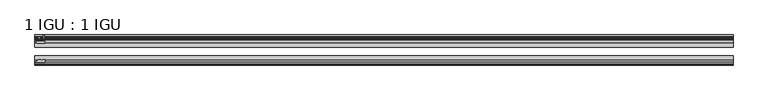
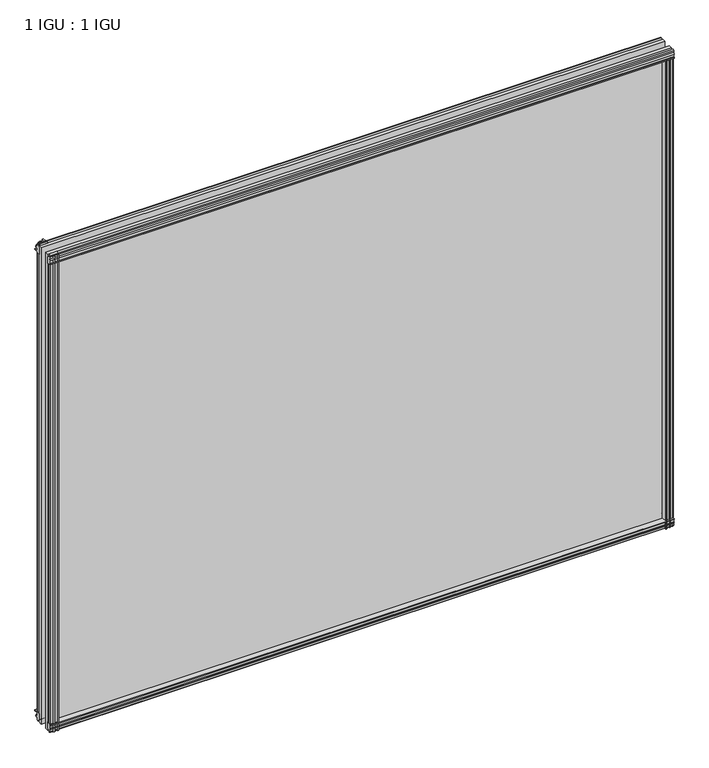
"""IFC4 building model written with IfcOpenShell, lengths in millimetres: plate geometry, 1 IGU : 1 IGU."""

from ifc_helpers import new_model, si_unit, point, frame, frame_2d, origin, place, context, project, spatial, polyline, circle_curve, trimmed, segment, composite_curve, outline, extrude, source, transform, mapped, element, save


def plate_1_igu_1_igu_84f02392(model_context):
    return source(origin(), model_context, "Body", "SweptSolid", [
        extrude(outline(polyline([(-24.9039062, 2.5763839), (-12.2039062, 1.5739665), (-12.2039062, 0.0), (-18.5539062, 0.0), (-18.5539062, -4.953), (-16.254502, -5.5691235), (-16.6301757, -4.1670901), (-15.7714677, -3.937), (-15.1249062, -6.35), (-15.7714677, -8.763), (-16.6301757, -8.5329099), (-16.254502, -7.1308765), (-18.5539062, -7.747), (-18.5539062, -12.7), (-20.5859062, -12.7), (-24.9039062, -9.1036931), (-24.9039062, 2.5763839)])), frame((-535.4727182, 0.0, 0.0), z_axis=(1.0, 0.0, 0.0), x_axis=(0.0, 1.0, 0.0)), (0.0, 0.0, 1.0), 1070.9454364),
        extrude(outline(composite_curve([segment(polyline([(-58.2287402, 1.5687054), (-50.3039062, 3.0983599), (-50.3039062, -7.92383), (-54.4858806, -12.1058044)]), True, "CONTINUOUS"), segment(trimmed(circle_curve(frame_2d((-55.3839062, -11.2077788)), 1.27), [point((-54.4858806, -12.1058044))], [point((-56.6539062, -11.2077788))], False, "CARTESIAN"), True, "CONTINUOUS"), segment(polyline([(-56.6539062, -11.2077788), (-56.6539062, -8.0327788), (-58.1332022, -5.4488186), (-56.6539062, -5.1879788), (-56.6539062, 0.2222212), (-58.2287402, 0.0), (-58.2287402, 1.5687054)]), True, "CONTINUOUS")], self_intersect=False)), frame((-535.4727182, 0.0, 0.0), z_axis=(1.0, 0.0, 0.0), x_axis=(0.0, 1.0, 0.0)), (0.0, 0.0, 1.0), 1070.9454364),
        extrude(outline(polyline([(-18.5539063, 845.956525), (-16.254502, 845.3404015), (-16.6301757, 846.7424349), (-15.7714677, 846.972525), (-15.1249063, 844.559525), (-15.7714677, 842.146525), (-16.6301757, 842.3766151), (-16.254502, 843.7786485), (-18.5539063, 843.162525), (-18.5539063, 838.209525), (-12.2039062, 838.209525), (-12.2039062, 836.6355584), (-24.9039063, 835.6331411), (-24.9039063, 847.3132181), (-20.5859063, 850.909525), (-18.5539063, 850.909525), (-18.5539063, 845.956525)])), frame((-535.4727182, 0.0, 0.0), z_axis=(1.0, 0.0, 0.0), x_axis=(0.0, 1.0, 0.0)), (0.0, 0.0, 1.0), 1070.9454364),
        extrude(outline(composite_curve([segment(polyline([(-50.3039063, 846.133355), (-50.3039063, 835.1111651), (-58.2287402, 836.6408196), (-58.2287402, 838.209525), (-56.6539063, 837.9873038), (-56.6539063, 843.3975038), (-58.1332023, 843.6583436), (-56.6539063, 846.2423038), (-56.6539063, 849.4173038)]), True, "CONTINUOUS"), segment(trimmed(circle_curve(frame_2d((-55.3839063, 849.4173038)), 1.27), [point((-56.6539063, 849.4173038))], [point((-54.4858806, 850.3153294))], False, "CARTESIAN"), True, "CONTINUOUS"), segment(polyline([(-54.4858806, 850.3153294), (-50.3039063, 846.133355)]), True, "CONTINUOUS")], self_intersect=False)), frame((-535.4727182, 0.0, 0.0), z_axis=(1.0, 0.0, 0.0), x_axis=(0.0, 1.0, 0.0)), (0.0, 0.0, 1.0), 1070.9454364),
        extrude(outline(composite_curve([segment(polyline([(521.0416742, -57.3876965), (519.6743583, -50.3039063), (530.6965482, -50.3039063), (534.8785226, -54.4858806)]), True, "CONTINUOUS"), segment(trimmed(circle_curve(frame_2d((533.980497, -55.3839063)), 1.27), [point((534.8785226, -54.4858806))], [point((533.980497, -56.6539063))], False, "CARTESIAN"), True, "CONTINUOUS"), segment(polyline([(533.980497, -56.6539063), (530.805497, -56.6539063), (528.2215368, -58.1332023), (527.960697, -56.6539063), (522.550497, -56.6539063), (522.7727182, -58.2287402), (521.8083974, -58.2014026)]), True, "CONTINUOUS"), segment(trimmed(circle_curve(frame_2d((522.042497, -57.2127402)), 1.016), [point((521.8083974, -58.2014026))], [point((521.0416742, -57.3876965))], False, "CARTESIAN"), True, "CONTINUOUS")], self_intersect=False)), frame((0.0, 0.0, -12.7), z_axis=(0.0, 0.0, 1.0), x_axis=(1.0, 0.0, 0.0)), (0.0, 0.0, 1.0), 851.3064),
        extrude(outline(polyline([(527.7257182, -18.5539063), (528.3418417, -16.254502), (526.9398083, -16.6301757), (526.7097182, -15.7714677), (529.1227182, -15.1249063), (531.5357182, -15.7714677), (531.305628, -16.6301757), (529.9035947, -16.254502), (530.5197182, -18.5539063), (535.4727182, -18.5539063), (535.4727182, -20.5859063), (531.8764113, -24.9039063), (520.1963343, -24.9039063), (521.1987516, -12.2039063), (522.7727182, -12.2039063), (522.7727182, -18.5539063), (527.7257182, -18.5539063)])), frame((0.0, 0.0, -12.7), z_axis=(0.0, 0.0, 1.0), x_axis=(1.0, 0.0, 0.0)), (0.0, 0.0, 1.0), 851.3064),
        extrude(outline(composite_curve([segment(polyline([(-530.805497, -56.6539062), (-533.980497, -56.6539062)]), True, "CONTINUOUS"), segment(trimmed(circle_curve(frame_2d((-533.980497, -55.3839062)), 1.27), [point((-533.980497, -56.6539062))], [point((-534.8785226, -54.4858806))], False, "CARTESIAN"), True, "CONTINUOUS"), segment(polyline([(-534.8785226, -54.4858806), (-530.6965482, -50.3039062), (-527.0270027, -50.3039062)]), True, "CONTINUOUS"), segment(trimmed(circle_curve(frame_2d((-524.963497, -46.3669062)), 4.445), [point((-527.0270027, -50.3039062))], [point((-522.8999912, -50.3039062))], True, "CARTESIAN"), True, "CONTINUOUS"), segment(polyline([(-522.8999912, -50.3039062), (-519.6743583, -50.3039062), (-521.2040127, -58.2287402), (-522.7727182, -58.2287402), (-522.550497, -56.6539062), (-527.960697, -56.6539062), (-528.2215368, -58.1332022), (-530.805497, -56.6539062)]), True, "CONTINUOUS")], self_intersect=False)), frame((0.0, 0.0, -12.7), z_axis=(0.0, 0.0, 1.0), x_axis=(1.0, 0.0, 0.0)), (0.0, 0.0, 1.0), 863.609525),
        extrude(outline(polyline([(-520.1963343, -24.9039062), (-531.8764113, -24.9039062), (-535.4727182, -20.5859062), (-535.4727182, -18.5539062), (-530.5197182, -18.5539062), (-529.9035947, -16.254502), (-531.305628, -16.6301757), (-531.5357182, -15.7714677), (-529.1227182, -15.1249062), (-526.7097182, -15.7714677), (-526.9398083, -16.6301757), (-528.3418417, -16.254502), (-527.7257182, -18.5539062), (-522.7727182, -18.5539062), (-522.7727182, -12.2039062), (-521.1987516, -12.2039062), (-520.1963343, -24.9039062)])), frame((0.0, 0.0, -12.7), z_axis=(0.0, 0.0, 1.0), x_axis=(1.0, 0.0, 0.0)), (0.0, 0.0, 1.0), 863.609525),
        extrude(outline(polyline([(535.4727182, -24.9039062), (535.4727182, -31.2031063), (-535.4727182, -31.2031063), (-535.4727182, -24.9039062), (535.4727182, -24.9039062)])), frame((0.0, 0.0, -12.7), z_axis=(0.0, 0.0, 1.0), x_axis=(1.0, 0.0, 0.0)), (0.0, 0.0, 1.0), 863.609525),
        extrude(outline(polyline([(-535.4727182, -44.0047063), (535.4727182, -44.0047063), (535.4727182, -50.3039062), (-535.4727182, -50.3039062), (-535.4727182, -44.0047063)])), frame((0.0, 0.0, -12.7), z_axis=(0.0, 0.0, 1.0), x_axis=(1.0, 0.0, 0.0)), (0.0, 0.0, 1.0), 863.609525),
    ])


if __name__ == "__main__":
    model = new_model("IFC4")
    model_context = context("Model", 3, world=origin())
    ifc_project = project(units=[si_unit("LENGTHUNIT", "METRE", prefix="MILLI")], contexts=[model_context])
    site = spatial("IfcSite", under=ifc_project)
    building = spatial("IfcBuilding", under=site)
    placement = place(None, origin())
    plate_1_igu_1_igu_shape = plate_1_igu_1_igu_84f02392(model_context)
    element("IfcPlate", 1, ObjectType="1 IGU : 1 IGU", at=placement, inside=building, context=model_context, shape_type="MappedRepresentation", body=[
        mapped(plate_1_igu_1_igu_shape, transform((0.0, 0.0, 0.0), x_axis=(1.0, 0.0, 0.0), y_axis=(0.0, 1.0, 0.0), z_axis=(0.0, 0.0, 1.0))),
    ])
    save(model, "model.ifc")
